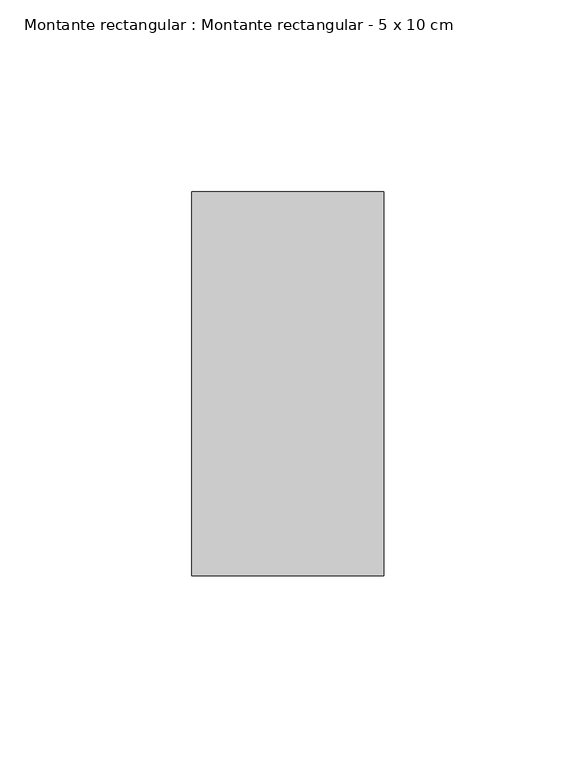
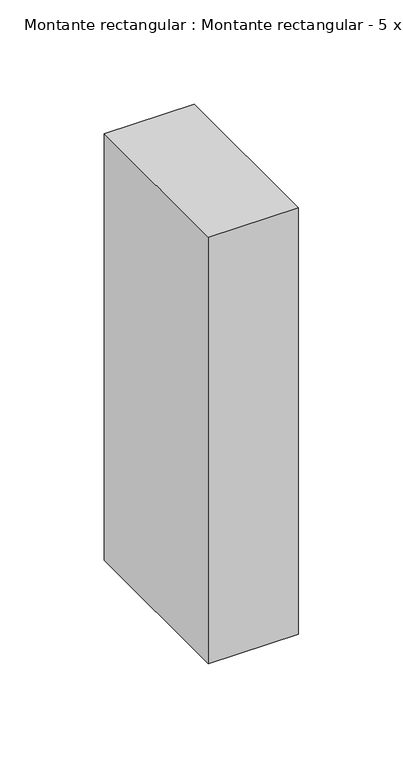
"""IFC4 building model written with IfcOpenShell, lengths in millimetres: member geometry, Montante rectangular : Montante rectangular - 5 x 10 cm."""

from ifc_helpers import new_model, si_unit, frame, origin, place, context, project, spatial, polyline, outline, extrude, source, transform, mapped, element, save


def montante_rectangular_montante_rectangular_5_x_10_cm_562bcbde(model_context):
    return source(origin(), model_context, "Body", "SweptSolid", [
        extrude(outline(polyline([(25.0, 50.0), (25.0, -50.0), (-25.0, -50.0), (-25.0, 50.0), (25.0, 50.0)])), frame((0.0, 0.0, -250.0), z_axis=(0.0, 0.0, 1.0), x_axis=(1.0, 0.0, 0.0)), (0.0, 0.0, 1.0), 250.0),
    ])


if __name__ == "__main__":
    model = new_model("IFC4")
    model_context = context("Model", 3, world=origin())
    ifc_project = project(units=[si_unit("LENGTHUNIT", "METRE", prefix="MILLI")], contexts=[model_context])
    site = spatial("IfcSite", under=ifc_project)
    building = spatial("IfcBuilding", under=site)
    placement = place(None, origin())
    montante_rectangular_montante_rectangular_5_x_10_cm_shape = montante_rectangular_montante_rectangular_5_x_10_cm_562bcbde(model_context)
    element("IfcMember", 1, ObjectType="Montante rectangular : Montante rectangular - 5 x 10 cm", at=placement, inside=building, context=model_context, shape_type="MappedRepresentation", body=[
        mapped(montante_rectangular_montante_rectangular_5_x_10_cm_shape, transform((0.0, 0.0, 0.0), x_axis=(1.0, 0.0, 0.0), y_axis=(0.0, 1.0, 0.0), z_axis=(0.0, 0.0, 1.0))),
    ])
    save(model, "model.ifc")
